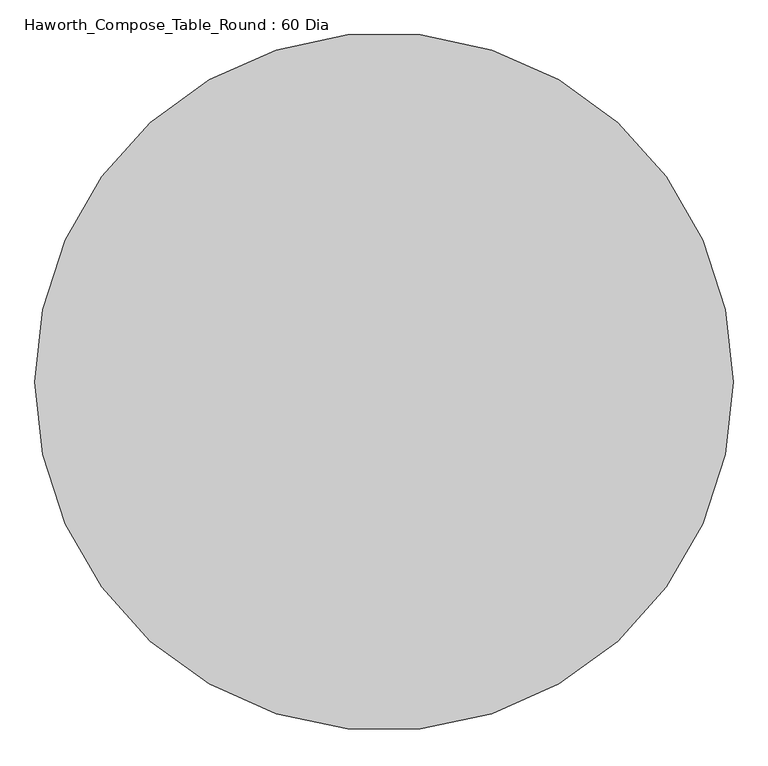
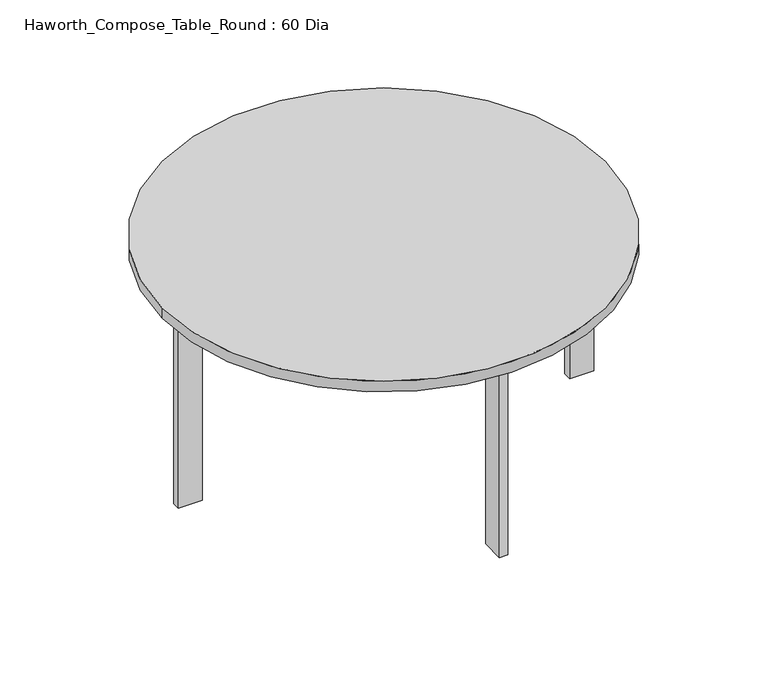
"""IFC4 building model written with IfcOpenShell, lengths in millimetres: furniture geometry, Haworth_Compose_Table_Round : 60 Dia."""

from ifc_helpers import new_model, si_unit, point, frame, frame_2d, origin, origin_with_axes, place, context, project, spatial, polyline, circle_curve, trimmed, segment, composite_curve, outline, extrude, source, transform, mapped, element, save


def haworth_compose_table_round_60_dia_e9c1355d(model_context):
    return source(origin(), model_context, "Body", "SweptSolid", [
        extrude(outline(polyline([(-14.2875, -574.675), (-14.2875, -492.125), (14.2875, -492.125), (14.2875, -574.675), (-14.2875, -574.675)])), origin_with_axes(), (0.0, 0.0, 1.0), 698.5),
        extrude(outline(polyline([(631.825, 153.9875), (714.375, 153.9875), (714.375, 125.4125), (631.825, 125.4125), (631.825, 153.9875)])), origin_with_axes(), (0.0, 0.0, 1.0), 698.5),
        extrude(outline(polyline([(-714.375, 153.9875), (-631.825, 153.9875), (-631.825, 125.4125), (-714.375, 125.4125), (-714.375, 153.9875)])), origin_with_axes(), (0.0, 0.0, 1.0), 698.5),
        extrude(outline(polyline([(14.2875, 854.075), (14.2875, 771.525), (-14.2875, 771.525), (-14.2875, 854.075), (14.2875, 854.075)])), origin_with_axes(), (0.0, 0.0, 1.0), 698.5),
        extrude(outline(composite_curve([segment(trimmed(circle_curve(frame_2d((0.0, 139.7)), 762.0), [point((-762.0, 139.7))], [point((762.0, 139.7))], False, "CARTESIAN"), True, "CONTINUOUS"), segment(trimmed(circle_curve(frame_2d((0.0, 139.7)), 762.0), [point((762.0, 139.7))], [point((-762.0, 139.7))], False, "CARTESIAN"), True, "CONTINUOUS")], self_intersect=False)), frame((0.0, 0.0, 698.5), z_axis=(0.0, 0.0, 1.0), x_axis=(1.0, 0.0, 0.0)), (0.0, 0.0, 1.0), 38.1),
    ])


if __name__ == "__main__":
    model = new_model("IFC4")
    model_context = context("Model", 3, world=origin())
    ifc_project = project(units=[si_unit("LENGTHUNIT", "METRE", prefix="MILLI")], contexts=[model_context])
    site = spatial("IfcSite", under=ifc_project)
    building = spatial("IfcBuilding", under=site)
    placement = place(None, origin())
    haworth_compose_table_round_60_dia_shape = haworth_compose_table_round_60_dia_e9c1355d(model_context)
    element("IfcFurniture", 1, ObjectType="Haworth_Compose_Table_Round : 60 Dia", at=placement, inside=building, context=model_context, shape_type="MappedRepresentation", body=[
        mapped(haworth_compose_table_round_60_dia_shape, transform((0.0, 0.0, 0.0), x_axis=(1.0, 0.0, 0.0), y_axis=(0.0, 1.0, 0.0), z_axis=(0.0, 0.0, 1.0))),
    ])
    save(model, "model.ifc")
